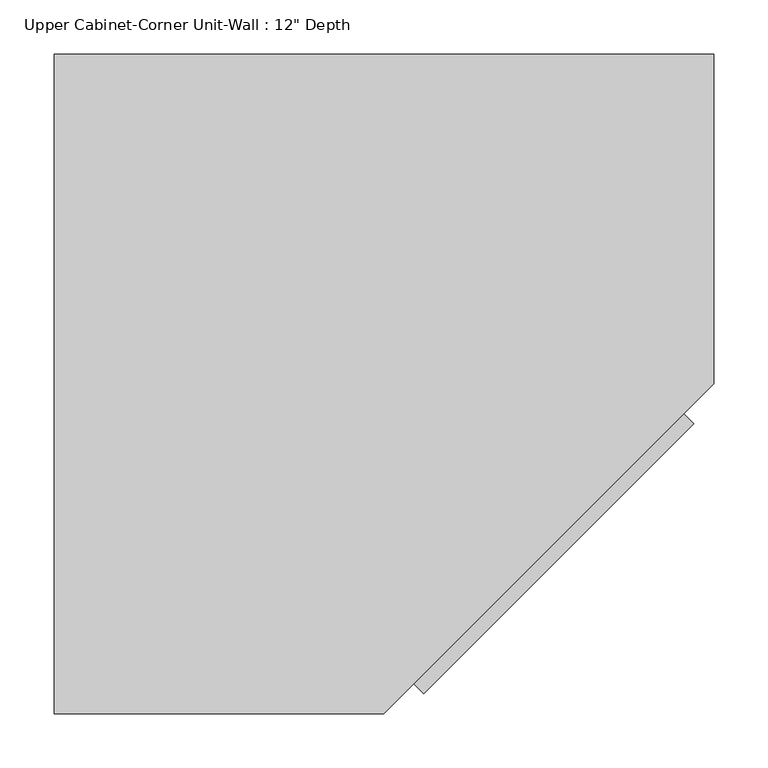
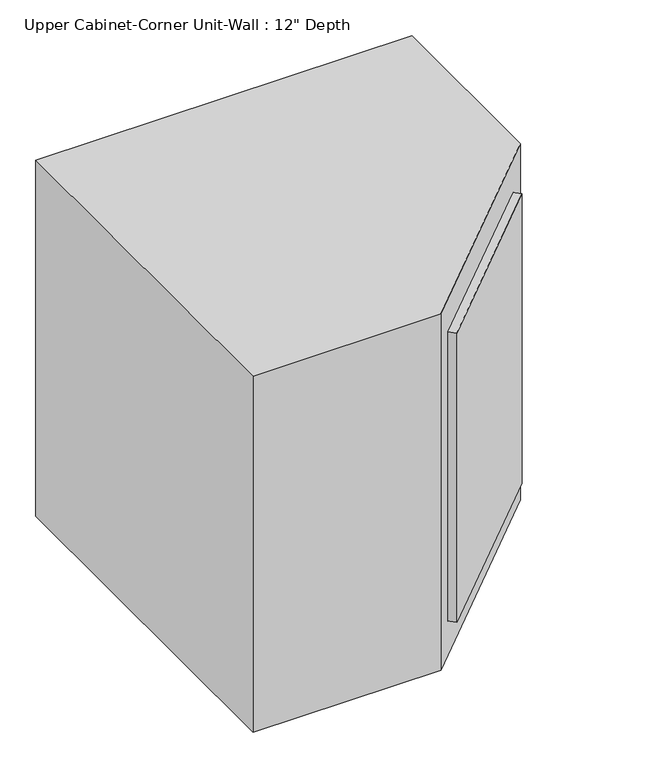
"""IFC4 building model written with IfcOpenShell, lengths in millimetres: furniture geometry."""

from ifc_helpers import new_model, si_unit, frame, origin, place, context, project, spatial, polyline, outline, extrude, faceted_brep, source, transform, mapped, element, save


def furniture_1c804bed(model_context):
    return source(origin(), model_context, "Body", "SolidModel", [
        extrude(outline(polyline([(295.0625715, -692.4691036), (277.1020592, -674.5085913), (526.4797541, -425.1308964), (544.4402664, -443.0914087), (295.0625715, -692.4691036)])), frame((0.0, 0.0, 1581.15), z_axis=(0.0, 0.0, 1.0), x_axis=(1.0, 0.0, 0.0)), (0.0, 0.0, 1.0), 495.3),
        extrude(outline(polyline([(-27.3788372, -692.15), (-27.3788372, -120.65), (544.1211628, -120.65), (544.1211628, -398.5092316), (250.4803944, -692.15), (-27.3788372, -692.15)])), frame((0.0, 0.0, 1524.0), z_axis=(0.0, 0.0, 1.0), x_axis=(1.0, 0.0, 0.0)), (0.0, 0.0, 1.0), 25.4),
        faceted_brep([(-46.4288372, -711.2, 1524.0), (-46.4288372, -101.6, 1524.0), (563.1711628, -101.6, 1524.0), (563.1711628, -406.4, 1524.0), (258.3711628, -711.2, 1524.0), (250.4803944, -692.15, 1524.0), (544.1211628, -398.5092316, 1524.0), (544.1211628, -120.65, 1524.0), (-27.3788372, -120.65, 1524.0), (-27.3788372, -692.15, 1524.0), (-46.4288372, -711.2, 2133.6), (258.3711628, -711.2, 2133.6), (563.1711628, -406.4, 2133.6), (563.1711628, -101.6, 2133.6), (-46.4288372, -101.6, 2133.6), (-27.3788372, -692.15, 2108.2), (250.4803944, -692.15, 2108.2), (-27.3788372, -120.65, 2108.2), (544.1211628, -120.65, 2108.2), (544.1211628, -398.5092316, 2108.2), (535.4600102, -434.1111525, 2076.45), (535.4600102, -434.1111525, 1581.15), (286.0823153, -683.4888475, 1581.15), (286.0823153, -683.4888475, 2076.45), (272.6119312, -670.0184633, 2076.45), (272.6119312, -670.0184633, 1581.15), (521.9896261, -420.6407684, 1581.15), (521.9896261, -420.6407684, 2076.45)], [[[0, 1, 2, 3, 4], [5, 6, 7, 8, 9]], [[10, 11, 12, 13, 14]], [[4, 11, 10, 0]], [[9, 15, 16, 5]], [[8, 17, 15, 9]], [[7, 18, 17, 8]], [[6, 19, 18, 7]], [[2, 13, 12, 3]], [[1, 14, 13, 2]], [[0, 10, 14, 1]], [[15, 17, 18, 19, 16]], [[3, 12, 11, 4], [20, 21, 22, 23]], [[5, 16, 19, 6], [24, 25, 26, 27]], [[20, 23, 24, 27]], [[22, 21, 26, 25]], [[23, 22, 25, 24]], [[27, 26, 21, 20]]]),
    ])


if __name__ == "__main__":
    model = new_model("IFC4")
    model_context = context("Model", 3, world=origin())
    ifc_project = project(units=[si_unit("LENGTHUNIT", "METRE", prefix="MILLI")], contexts=[model_context])
    site = spatial("IfcSite", under=ifc_project)
    building = spatial("IfcBuilding", under=site)
    placement = place(None, origin())
    furniture_shape = furniture_1c804bed(model_context)
    element("IfcFurniture", 1, ObjectType="Upper Cabinet-Corner Unit-Wall : 12\" Depth", at=placement, inside=building, context=model_context, shape_type="MappedRepresentation", body=[
        mapped(furniture_shape, transform((0.0, 0.0, 0.0), x_axis=(1.0, 0.0, 0.0), y_axis=(0.0, 1.0, 0.0), z_axis=(0.0, 0.0, 1.0))),
    ])
    save(model, "model.ifc")
